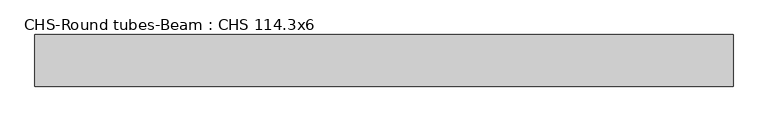
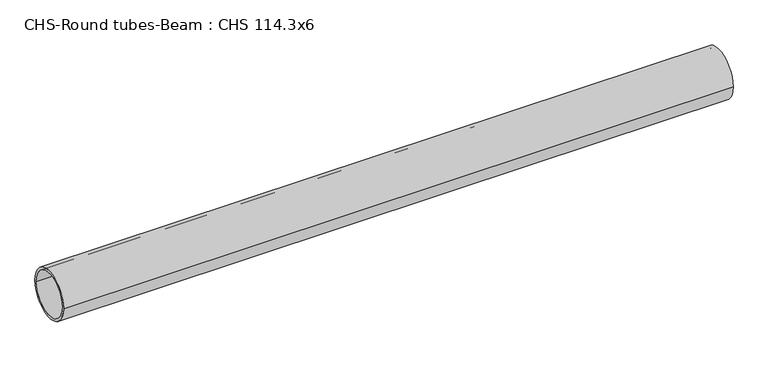
"""IFC4 building model written with IfcOpenShell, lengths in millimetres: beam geometry, CHS-Round tubes-Beam : CHS 114.3x6."""

from ifc_helpers import new_model, si_unit, point, frame, origin, origin_2d, place, context, project, spatial, circle_curve, trimmed, segment, composite_curve, outline, extrude, source, transform, mapped, element, save


def chs_round_tubes_beam_chs_114_3x6_2e96b5fe(model_context):
    return source(origin(), model_context, "Body", "SweptSolid", [
        extrude(outline(composite_curve([segment(trimmed(circle_curve(origin_2d(), 57.15), [point((57.15, 0.0))], [point((-57.15, 0.0))], False, "CARTESIAN"), True, "CONTINUOUS"), segment(trimmed(circle_curve(origin_2d(), 57.15), [point((-57.15, 0.0))], [point((57.15, 0.0))], False, "CARTESIAN"), True, "CONTINUOUS")], self_intersect=False), holes=[composite_curve([segment(trimmed(circle_curve(origin_2d(), 51.15), [point((51.15, 0.0))], [point((-51.15, 0.0))], True, "CARTESIAN"), True, "CONTINUOUS"), segment(trimmed(circle_curve(origin_2d(), 51.15), [point((-51.15, 0.0))], [point((51.15, 0.0))], True, "CARTESIAN"), True, "CONTINUOUS")], self_intersect=False)]), frame((-784.8880285, 0.0, 0.0), z_axis=(1.0, 0.0, 0.0), x_axis=(0.0, 1.0, 0.0)), (0.0, 0.0, 1.0), 1544.3880613),
    ])


if __name__ == "__main__":
    model = new_model("IFC4")
    model_context = context("Model", 3, world=origin())
    ifc_project = project(units=[si_unit("LENGTHUNIT", "METRE", prefix="MILLI")], contexts=[model_context])
    site = spatial("IfcSite", under=ifc_project)
    building = spatial("IfcBuilding", under=site)
    placement = place(None, origin())
    chs_round_tubes_beam_chs_114_3x6_shape = chs_round_tubes_beam_chs_114_3x6_2e96b5fe(model_context)
    element("IfcBeam", 1, ObjectType="CHS-Round tubes-Beam : CHS 114.3x6", at=placement, inside=building, context=model_context, shape_type="MappedRepresentation", body=[
        mapped(chs_round_tubes_beam_chs_114_3x6_shape, transform((0.0, 0.0, 0.0), x_axis=(1.0, 0.0, 0.0), y_axis=(0.0, 1.0, 0.0), z_axis=(0.0, 0.0, 1.0))),
    ])
    save(model, "model.ifc")
